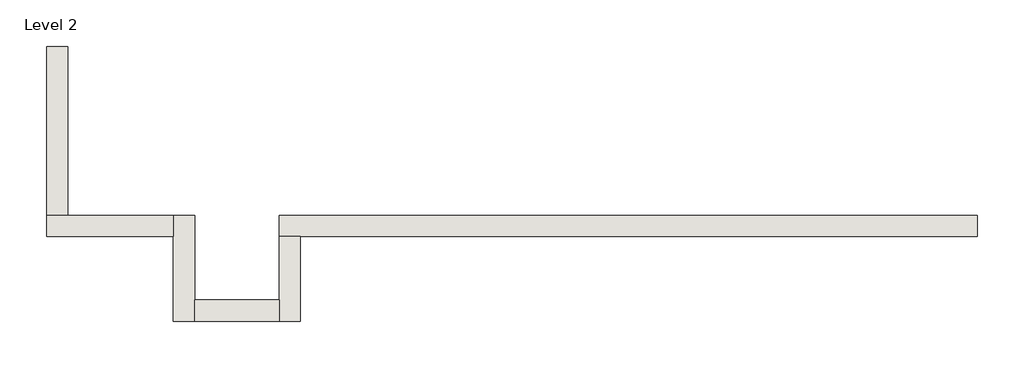
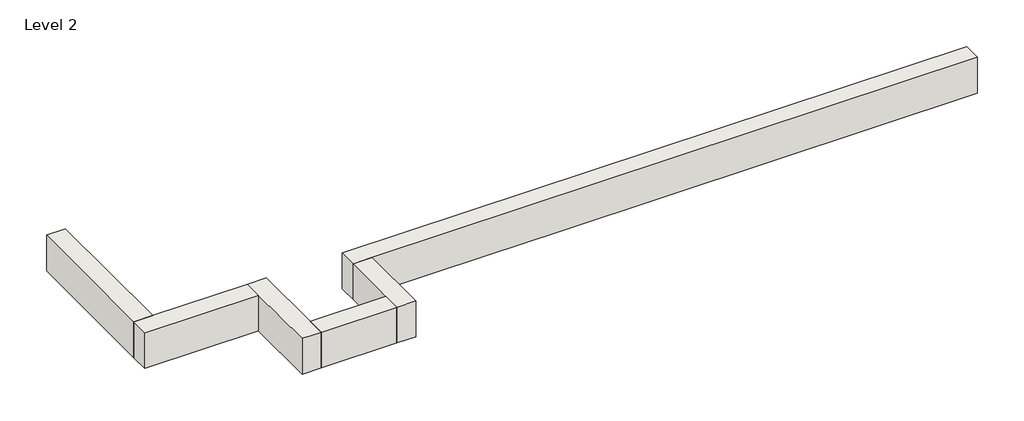
# One storey: 6 walls.
"""IFC4 building model written with IfcOpenShell, lengths in millimetres."""

from ifc_helpers import new_model, si_unit, frame, origin, place, context, project, spatial, polyline, outline, extrude, faceted_brep, element, save

model = new_model("IFC4")

# Units and contexts
model_context = context("Model", 3, world=origin())
ifc_project = project(units=[si_unit("LENGTHUNIT", "METRE", prefix="MILLI")], contexts=[model_context])

# Site, building, storey
site = spatial("IfcSite", under=ifc_project)
building = spatial("IfcBuilding", under=site)
storey = spatial("IfcBuildingStorey", under=building, Name="Level 2", Elevation=3048.0)

# Walls
placement = place(None, origin())
element("IfcWall", 1, ObjectType="Generic - 12\" Brick", at=placement, inside=storey, context=model_context, shape_type="Brep", body=[
    faceted_brep([(11582.357857, 1523.9976187, 3048.0), (4876.757857, 1523.9976187, 3048.0), (3657.557857, 1523.9976187, 3048.0), (1523.9602383, 1523.9976187, 3048.0), (1523.9602383, 1523.9976187, 3657.6), (11582.357857, 1523.9976187, 3657.6), (11582.357857, 1219.1976187, 3048.0), (11582.357857, 1219.1976187, 3657.6), (1828.7602383, 1219.1976187, 3657.6), (1523.9602383, 1219.1976187, 3657.6), (1523.9602383, 1219.1976187, 3048.0), (1828.7602383, 1219.1976187, 3048.0), (3657.557857, 1219.1976187, 3048.0), (4876.757857, 1219.1976187, 3048.0)], [[[0, 1, 2, 3, 4, 5]], [[6, 7, 8, 9, 10, 11, 12, 13]], [[3, 2, 1, 0, 6, 13, 12, 11, 10]], [[5, 4, 9, 8, 7]], [[0, 5, 7, 6]], [[4, 3, 10, 9]]]),
])
element("IfcWall", 2, ObjectType="Generic - 12\" Brick", at=placement, inside=storey, context=model_context, shape_type="Brep", body=[
    faceted_brep([(1523.9602383, 1219.1976187, 3048.0), (1523.9602383, 304.8, 3048.0), (1523.9602383, 0.0, 3048.0), (1523.9602383, 0.0, 3657.6), (1523.9602383, 304.8, 3657.6), (1523.9602383, 1219.1976187, 3657.6), (1828.7602383, 1219.1976187, 3048.0), (1828.7602383, 1219.1976187, 3657.6), (1828.7602383, 0.0, 3657.6), (1828.7602383, 0.0, 3048.0)], [[[0, 1, 2, 3, 4, 5]], [[6, 7, 8, 9]], [[2, 1, 0, 6, 9]], [[5, 4, 3, 8, 7]], [[0, 5, 7, 6]], [[3, 2, 9, 8]]]),
])
element("IfcWall", 3, ObjectType="Generic - 12\" Brick", at=placement, inside=storey, context=model_context, shape_type="SweptSolid", body=[
    extrude(outline(polyline([(304.757857, 304.8), (1523.9602383, 304.8), (1523.9602383, 0.0), (304.757857, 0.0), (304.757857, 304.8)])), frame((0.0, 0.0, 3048.0), z_axis=(0.0, 0.0, 1.0), x_axis=(1.0, 0.0, 0.0)), (0.0, 0.0, 1.0), 609.6),
])
element("IfcWall", 4, ObjectType="Generic - 12\" Brick", at=placement, inside=storey, context=model_context, shape_type="Brep", body=[
    faceted_brep([(304.757857, 0.0, 3048.0), (304.757857, 304.8, 3048.0), (304.757857, 1523.9976187, 3048.0), (304.757857, 1523.9976187, 3657.6), (304.757857, 304.8, 3657.6), (304.757857, 0.0, 3657.6), (-0.042143, 0.0, 3048.0), (-0.042143, 0.0, 3657.6), (-0.042143, 1219.1976187, 3657.6), (-0.042143, 1523.9976187, 3657.6), (-0.042143, 1523.9976187, 3048.0), (-0.042143, 1219.1976187, 3048.0)], [[[0, 1, 2, 3, 4, 5]], [[6, 7, 8, 9, 10, 11]], [[2, 1, 0, 6, 11, 10]], [[5, 4, 3, 9, 8, 7]], [[0, 5, 7, 6]], [[3, 2, 10, 9]]]),
])
element("IfcWall", 5, ObjectType="Generic - 12\" Brick", at=placement, inside=storey, context=model_context, shape_type="Brep", body=[
    faceted_brep([(-0.042143, 1523.9976187, 3048.0), (-1524.010393, 1523.9976187, 3048.0), (-1828.810393, 1523.9976187, 3048.0), (-1828.810393, 1523.9976187, 3657.6), (-1524.010393, 1523.9976187, 3657.6), (-0.042143, 1523.9976187, 3657.6), (-0.042143, 1219.1976187, 3048.0), (-0.042143, 1219.1976187, 3657.6), (-1828.810393, 1219.1976187, 3657.6), (-1828.810393, 1219.1976187, 3048.0)], [[[0, 1, 2, 3, 4, 5]], [[6, 7, 8, 9]], [[2, 1, 0, 6, 9]], [[5, 4, 3, 8, 7]], [[0, 5, 7, 6]], [[3, 2, 9, 8]]]),
])
element("IfcWall", 6, ObjectType="Generic - 12\" Brick", at=placement, inside=storey, context=model_context, shape_type="Brep", body=[
    faceted_brep([(-1524.010393, 1523.9976187, 3048.0), (-1524.010393, 3047.96825, 3048.0), (-1524.010393, 3962.36825, 3048.0), (-1524.010393, 3962.36825, 3657.6), (-1524.010393, 1523.9976187, 3657.6), (-1828.810393, 1523.9976187, 3048.0), (-1828.810393, 1523.9976187, 3657.6), (-1828.810393, 3962.36825, 3657.6), (-1828.810393, 3962.36825, 3048.0), (-1828.810393, 3047.96825, 3048.0)], [[[0, 1, 2, 3, 4]], [[5, 6, 7, 8, 9]], [[2, 1, 0, 5, 9, 8]], [[3, 2, 8, 7]], [[4, 3, 7, 6]], [[0, 4, 6, 5]]]),
])

save(model, "model.ifc")
